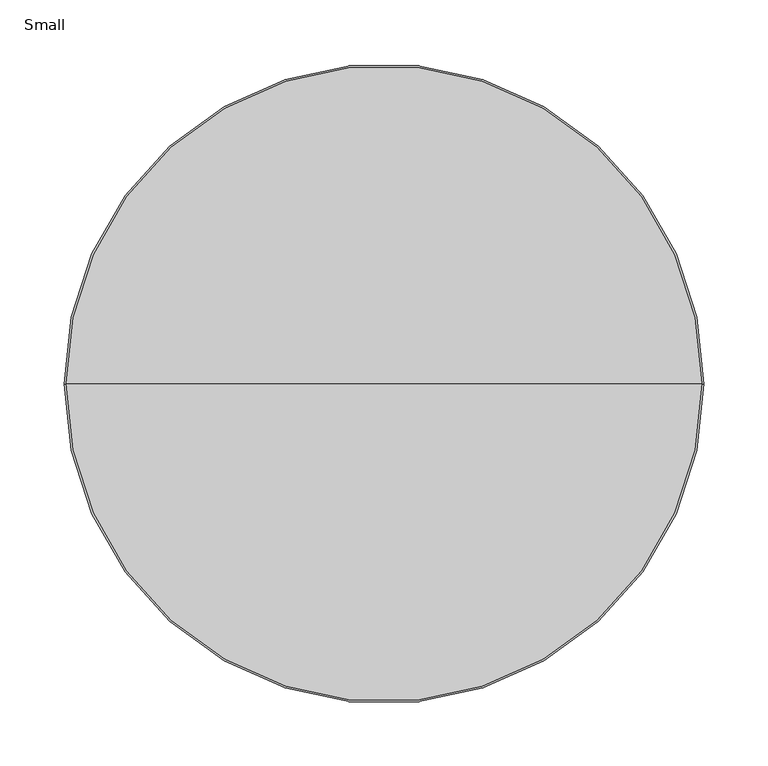
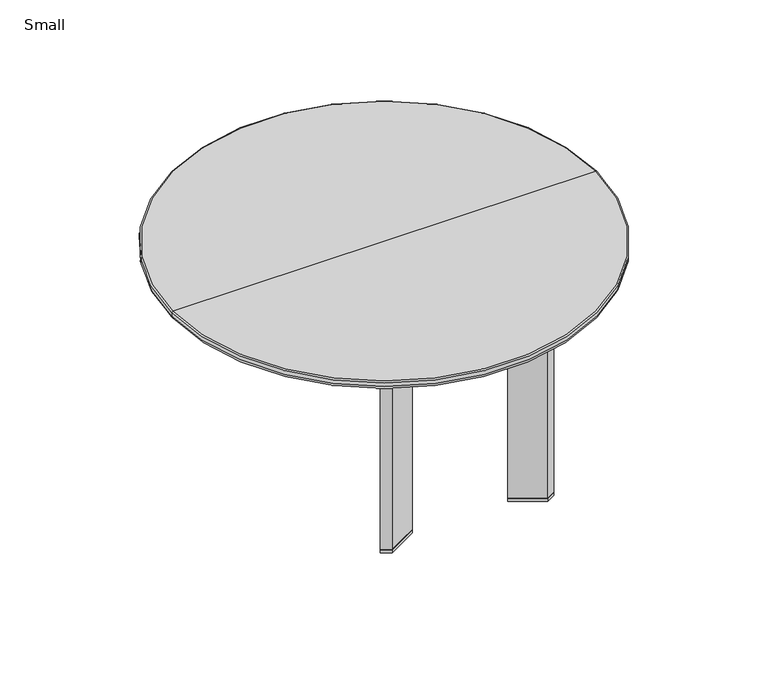
"""IFC4 building model written with IfcOpenShell, lengths in millimetres: furniture geometry, Small."""

from ifc_helpers import new_model, si_unit, point, frame, origin, origin_with_axes, origin_2d, place, context, project, spatial, polyline, circle_curve, ellipse_curve, trimmed, segment, composite_curve, outline, extrude, source, transform, mapped, element, save
from ifc_brep_helpers import plane_surface, cylinder_surface, revolved_surface, advanced_brep


def small_29370078(model_context):
    return source(origin(), model_context, "Body", "SolidModel", [
        extrude(outline(composite_curve([segment(polyline([(68.1453213, -148.9848451), (101.8576203, -168.44865)]), True, "CONTINUOUS"), segment(trimmed(circle_curve(origin_2d(), 196.85), [point((101.8576203, -168.44865))], [point((91.5829693, -174.248335))], False, "CARTESIAN"), True, "CONTINUOUS"), segment(polyline([(91.5829693, -174.248335), (56.2732344, -153.86225)]), True, "CONTINUOUS"), segment(trimmed(circle_curve(origin_2d(), 163.83), [point((56.2732344, -153.86225))], [point((68.1453213, -148.9848451))], True, "CARTESIAN"), True, "CONTINUOUS")], self_intersect=False)), origin_with_axes(), (0.0, 0.0, 1.0), 3.81),
        extrude(outline(composite_curve([segment(polyline([(-101.8576203, -168.44865), (-68.1453213, -148.9848451)]), True, "CONTINUOUS"), segment(trimmed(circle_curve(origin_2d(), 163.83), [point((-68.1453213, -148.9848451))], [point((-56.2732344, -153.86225))], True, "CARTESIAN"), True, "CONTINUOUS"), segment(polyline([(-56.2732344, -153.86225), (-91.5829693, -174.248335)]), True, "CONTINUOUS"), segment(trimmed(circle_curve(origin_2d(), 196.85), [point((-91.5829693, -174.248335))], [point((-101.8576203, -168.44865))], False, "CARTESIAN"), True, "CONTINUOUS")], self_intersect=False)), origin_with_axes(), (0.0, 0.0, 1.0), 3.81),
        extrude(outline(composite_curve([segment(polyline([(5.08, 196.7844407), (5.08, 163.7512214)]), True, "CONTINUOUS"), segment(trimmed(circle_curve(origin_2d(), 163.83), [point((5.08, 163.7512214))], [point((-5.08, 163.7512214))], True, "CARTESIAN"), True, "CONTINUOUS"), segment(polyline([(-5.08, 163.7512214), (-5.08, 196.7844407)]), True, "CONTINUOUS"), segment(trimmed(circle_curve(origin_2d(), 196.85), [point((-5.08, 196.7844407))], [point((5.08, 196.7844407))], False, "CARTESIAN"), True, "CONTINUOUS")], self_intersect=False)), origin_with_axes(), (0.0, 0.0, 1.0), 3.81),
        extrude(outline(composite_curve([segment(trimmed(circle_curve(origin_2d(), 163.83), [point((-68.1453213, -148.9848451))], [point((-56.2732344, -153.86225))], True, "CARTESIAN"), True, "CONTINUOUS"), segment(polyline([(-56.2732344, -153.86225), (-91.5829693, -174.248335)]), True, "CONTINUOUS"), segment(trimmed(circle_curve(origin_2d(), 196.85), [point((-91.5829693, -174.248335))], [point((-101.8576203, -168.44865))], False, "CARTESIAN"), True, "CONTINUOUS"), segment(polyline([(-101.8576203, -168.44865), (-68.1453213, -148.9848451)]), True, "CONTINUOUS")], self_intersect=False)), frame((0.0, 0.0, 3.81), z_axis=(0.0, 0.0, 1.0), x_axis=(1.0, 0.0, 0.0)), (0.0, 0.0, 1.0), 221.488),
        extrude(outline(composite_curve([segment(trimmed(circle_curve(origin_2d(), 163.83), [point((56.2732344, -153.86225))], [point((68.1453213, -148.9848451))], True, "CARTESIAN"), True, "CONTINUOUS"), segment(polyline([(68.1453213, -148.9848451), (101.8576203, -168.44865)]), True, "CONTINUOUS"), segment(trimmed(circle_curve(origin_2d(), 196.85), [point((101.8576203, -168.44865))], [point((91.5829693, -174.248335))], False, "CARTESIAN"), True, "CONTINUOUS"), segment(polyline([(91.5829693, -174.248335), (56.2732344, -153.86225)]), True, "CONTINUOUS")], self_intersect=False)), frame((0.0, 0.0, 3.81), z_axis=(0.0, 0.0, 1.0), x_axis=(1.0, 0.0, 0.0)), (0.0, 0.0, 1.0), 221.488),
        extrude(outline(composite_curve([segment(trimmed(circle_curve(origin_2d(), 163.83), [point((5.08, 163.7512214))], [point((-5.08, 163.7512214))], True, "CARTESIAN"), True, "CONTINUOUS"), segment(polyline([(-5.08, 163.7512214), (-5.08, 196.7844407)]), True, "CONTINUOUS"), segment(trimmed(circle_curve(origin_2d(), 196.85), [point((-5.08, 196.7844407))], [point((5.08, 196.7844407))], False, "CARTESIAN"), True, "CONTINUOUS"), segment(polyline([(5.08, 196.7844407), (5.08, 163.7512214)]), True, "CONTINUOUS")], self_intersect=False)), frame((0.0, 0.0, 3.81), z_axis=(0.0, 0.0, 1.0), x_axis=(1.0, 0.0, 0.0)), (0.0, 0.0, 1.0), 221.488),
        advanced_brep(
        [(249.936, 0.0, 248.666), (-249.936, 0.0, 248.666), (-248.666, 0.0, 249.936), (248.666, 0.0, 249.936), (249.936, 0.0, 244.2405318), (-249.936, 0.0, 244.2405318), (246.6444388, 0.0, 239.4857567), (-246.6444388, 0.0, 239.4857567), (217.5711025, 0.0, 228.5502485), (-217.5711025, 0.0, 228.5502485), (0.0, 0.0, 225.298), (-199.6867146, 0.0, 225.298), (199.6867146, 0.0, 225.298), (0.0, 0.0, 249.936)],
        [
            (0, 1, circle_curve(frame((0.0, 0.0, 248.666), z_axis=(0.0, 0.0, 1.0), x_axis=(-1.0, 0.0, 0.0)), 249.936)),
            (1, 2, circle_curve(frame((-248.666, 0.0, 248.666), z_axis=(0.0, 1.0, 0.0), x_axis=(1.0, 0.0, 0.0)), 1.27)),
            (2, 3, circle_curve(frame((0.0, 0.0, 249.936), z_axis=(0.0, 0.0, -1.0), x_axis=(-1.0, 0.0, 0.0)), 248.666)),
            (3, 0, circle_curve(frame((248.666, 0.0, 248.666), z_axis=(0.0, 1.0, 0.0), x_axis=(-1.0, 0.0, 0.0)), 1.27)),
            (1, 0, circle_curve(frame((0.0, 0.0, 248.666), z_axis=(0.0, 0.0, 1.0), x_axis=(-1.0, 0.0, 0.0)), 249.936)),
            (3, 2, circle_curve(frame((0.0, 0.0, 249.936), z_axis=(0.0, 0.0, -1.0), x_axis=(-1.0, 0.0, 0.0)), 248.666)),
            (4, 5, circle_curve(frame((0.0, 0.0, 244.2405318), z_axis=(0.0, 0.0, 1.0), x_axis=(-1.0, 0.0, 0.0)), 249.936)),
            (5, 1),
            (0, 4),
            (5, 4, circle_curve(frame((0.0, 0.0, 244.2405318), z_axis=(0.0, 0.0, 1.0), x_axis=(-1.0, 0.0, 0.0)), 249.936)),
            (6, 7, circle_curve(frame((0.0, 0.0, 239.4857567), z_axis=(0.0, 0.0, 1.0), x_axis=(-1.0, 0.0, 0.0)), 246.6444388)),
            (7, 5, circle_curve(frame((-244.856, 0.0, 244.2405318), z_axis=(0.0, 1.0, 0.0), x_axis=(1.0, 0.0, 0.0)), 5.08)),
            (4, 6, circle_curve(frame((244.856, 0.0, 244.2405318), z_axis=(0.0, 1.0, 0.0), x_axis=(-1.0, 0.0, 0.0)), 5.08)),
            (7, 6, circle_curve(frame((0.0, 0.0, 239.4857567), z_axis=(0.0, 0.0, 1.0), x_axis=(-1.0, 0.0, 0.0)), 246.6444388)),
            (8, 9, circle_curve(frame((0.0, 0.0, 228.5502485), z_axis=(0.0, 0.0, 1.0), x_axis=(-1.0, 0.0, 0.0)), 217.5711025)),
            (9, 7),
            (6, 8),
            (9, 8, circle_curve(frame((0.0, 0.0, 228.5502485), z_axis=(0.0, 0.0, 1.0), x_axis=(-1.0, 0.0, 0.0)), 217.5711025)),
            (10, 11),
            (11, 12, circle_curve(frame((0.0, 0.0, 225.298), z_axis=(0.0, 0.0, -1.0), x_axis=(-1.0, 0.0, 0.0)), 199.6867146)),
            (12, 10),
            (12, 11, circle_curve(frame((0.0, 0.0, 225.298), z_axis=(0.0, 0.0, -1.0), x_axis=(-1.0, 0.0, 0.0)), 199.6867146)),
            (2, 13),
            (13, 3),
            (11, 9, circle_curve(frame((-199.6867146, 0.0, 276.098), z_axis=(0.0, 1.0, 0.0), x_axis=(1.0, 0.0, 0.0)), 50.8)),
            (8, 12, circle_curve(frame((199.6867146, 0.0, 276.098), z_axis=(0.0, 1.0, 0.0), x_axis=(-1.0, 0.0, 0.0)), 50.8)),
        ],
        [
            revolved_surface(trimmed(ellipse_curve(frame((-248.666, 0.0, 248.666), z_axis=(0.0, -1.0, 0.0), x_axis=(1.0, 0.0, 0.0)), 1.27, 1.27), [point((-248.666, 0.0, 249.936))], [point((-249.936, 0.0, 248.666))], True, "CARTESIAN"), (0.0, 0.0, 554.736), (0.0, 0.0, -1.0)),
            cylinder_surface(frame((0.0, 0.0, 554.736), z_axis=(0.0, 0.0, -1.0), x_axis=(-1.0, 0.0, 0.0)), 249.936),
            revolved_surface(trimmed(ellipse_curve(frame((-244.856, 0.0, 244.2405318), z_axis=(0.0, -1.0, 0.0), x_axis=(1.0, 0.0, 0.0)), 5.08, 5.08), [point((-249.936, 0.0, 244.2405318))], [point((-246.6444388, 0.0, 239.4857567))], True, "CARTESIAN"), (0.0, 0.0, 554.736), (0.0, 0.0, -1.0)),
            revolved_surface(polyline([(-246.6444388, 0.0, 239.4857567), (-217.5711025, 0.0, 228.5502485)]), (0.0, 0.0, 554.736), (0.0, 0.0, -1.0)),
            plane_surface(frame((0.0, 0.0, 225.298), z_axis=(0.0, 0.0, -1.0), x_axis=(-1.0, 0.0, 0.0))),
            plane_surface(frame((0.0, 0.0, 249.936), z_axis=(0.0, 0.0, 1.0), x_axis=(-1.0, 0.0, 0.0))),
            revolved_surface(trimmed(ellipse_curve(frame((-199.6867146, 0.0, 276.098), z_axis=(0.0, -1.0, 0.0), x_axis=(1.0, 0.0, 0.0)), 50.8, 50.8), [point((-217.5711025, 0.0, 228.5502485))], [point((-199.6867146, 0.0, 225.298))], True, "CARTESIAN"), (0.0, 0.0, 554.736), (0.0, 0.0, -1.0)),
        ],
        [
            (0, [[1, 2, 3, 4]]),
            (0, [[5, -4, 6, -2]]),
            (1, [[7, 8, -1, 9]]),
            (1, [[10, -9, -5, -8]]),
            (2, [[11, 12, -7, 13]]),
            (2, [[14, -13, -10, -12]]),
            (3, [[15, 16, -11, 17]]),
            (3, [[18, -17, -14, -16]]),
            (4, [[19, 20, 21]]),
            (4, [[-21, 22, -19]]),
            (5, [[-3, 23, 24]]),
            (5, [[-6, -24, -23]]),
            (6, [[-20, 25, -15, 26]]),
            (6, [[-22, -26, -18, -25]]),
        ],
    ),
    ])


if __name__ == "__main__":
    model = new_model("IFC4")
    model_context = context("Model", 3, world=origin())
    ifc_project = project(units=[si_unit("LENGTHUNIT", "METRE", prefix="MILLI")], contexts=[model_context])
    site = spatial("IfcSite", under=ifc_project)
    building = spatial("IfcBuilding", under=site)
    placement = place(None, origin())
    small_shape = small_29370078(model_context)
    element("IfcFurniture", 1, ObjectType="Small", at=placement, inside=building, context=model_context, shape_type="MappedRepresentation", body=[
        mapped(small_shape, transform((0.0, 0.0, 0.0), x_axis=(1.0, 0.0, 0.0), y_axis=(0.0, 1.0, 0.0), z_axis=(0.0, 0.0, 1.0))),
    ])
    save(model, "model.ifc")
